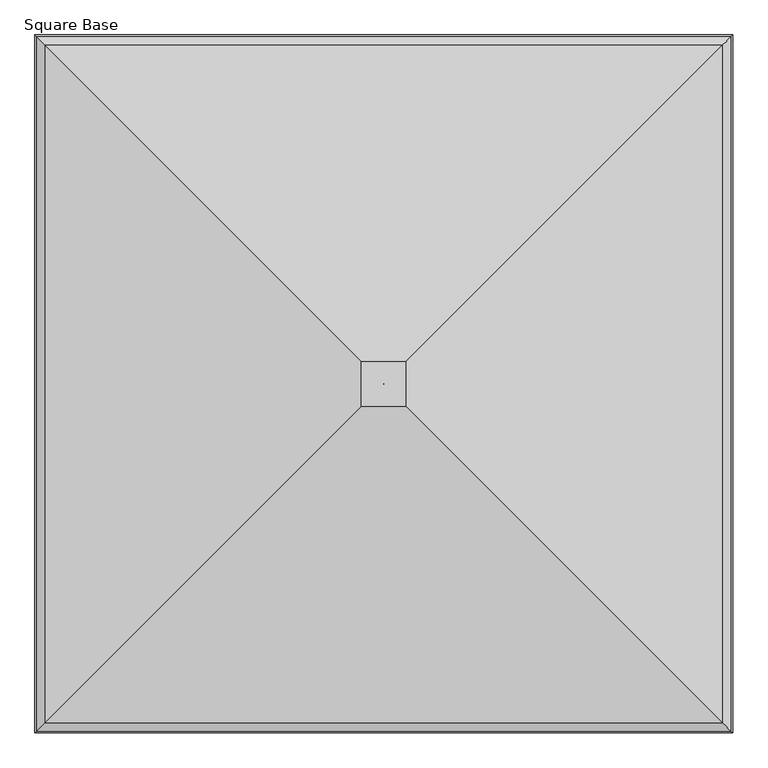
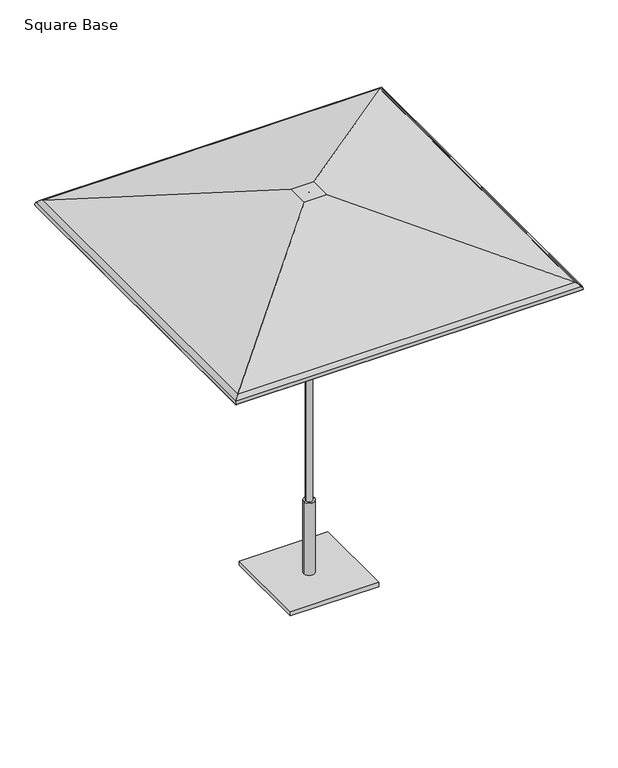
"""IFC4 building model written with IfcOpenShell, lengths in millimetres: furniture geometry, Square Base."""

from ifc_helpers import new_model, si_unit, frame, origin, origin_with_axes, place, context, project, spatial, polyline, circle_curve, ellipse_curve, outline, extrude, source, transform, mapped, element, save
from ifc_brep_helpers import plane_surface, cylinder_surface, revolved_surface, advanced_brep


def square_base_8a413ab3(model_context):
    return source(origin(), model_context, "Body", "SolidModel", [
        advanced_brep(
        [(-0.1191233, -3.7889421, 2332.2359375), (-0.1191233, -3.7889421, 2336.8), (0.1191233, -3.7889421, 2336.8), (0.1191233, -3.7889421, 2332.2359375), (-972.8203346, -976.4901535, 2032.8952419), (-63.8799222, -67.5497411, 2332.2359375), (63.8799222, -67.5497411, 2332.2359375), (972.8203346, -976.4901535, 2032.8952419), (-993.3252275, -996.9950464, 2015.7031479), (993.3252275, -996.9950464, 2015.7031479), (-995.3819432, -999.051762, 1999.8260507), (995.3819432, -999.051762, 1999.8260507), (-999.7734953, -1003.4433141, 1998.5830959), (999.7734953, -1003.4433141, 1998.5830959), (-997.255117, -1000.9249359, 2018.0240604), (997.255117, -1000.9249359, 2018.0240604), (-972.7319046, -976.4017234, 2037.7634079), (972.7319046, -976.4017234, 2037.7634079), (-64.7106433, -68.3804622, 2336.8), (64.7106433, -68.3804622, 2336.8), (0.1191233, -2.7851577, 2336.8), (0.1191233, -2.7851577, 2332.2359375), (63.8799222, 60.9756412, 2332.2359375), (972.8203346, 969.9160536, 2032.8952419), (993.3252275, 990.4209465, 2015.7031479), (995.3819432, 992.4776622, 1999.8260507), (999.7734953, 996.8692143, 1998.5830959), (997.255117, 994.350836, 2018.0240604), (972.7319046, 969.8276236, 2037.7634079), (64.7106433, 61.8063623, 2336.8), (-0.1191233, -2.7851577, 2336.8), (-0.1191233, -2.7851577, 2332.2359375), (-63.8799222, 60.9756412, 2332.2359375), (-972.8203346, 969.9160536, 2032.8952419), (-993.3252275, 990.4209465, 2015.7031479), (-995.3819432, 992.4776622, 1999.8260507), (-999.7734953, 996.8692143, 1998.5830959), (-997.255117, 994.350836, 2018.0240604), (-972.7319046, 969.8276236, 2037.7634079), (-64.7106433, 61.8063623, 2336.8)],
        [
            (0, 1),
            (1, 2),
            (2, 3),
            (3, 0),
            (4, 5),
            (5, 6),
            (6, 7),
            (7, 4),
            (8, 4, ellipse_curve(frame((-958.7402749, -962.4100938, 1995.2779812), z_axis=(-0.7071067811865475, 0.7071067811865475, 0.0), x_axis=(0.7071067811865476, 0.7071067811865474, 0.0)), 56.8032813, 40.1659854)),
            (7, 9, ellipse_curve(frame((958.7402749, -962.4100938, 1995.2779812), z_axis=(0.7071067811865475, 0.7071067811865475, 0.0), x_axis=(0.7071067811865476, -0.7071067811865474, 0.0)), 56.8032813, 40.1659854)),
            (9, 8),
            (10, 8, ellipse_curve(frame((-975.8174942, -979.4873131, 2005.3634382), z_axis=(-0.7071067811865475, 0.7071067811865475, 0.0), x_axis=(0.7071067811865476, 0.7071067811865474, 0.0)), 28.7551847, 20.3329861)),
            (9, 11, ellipse_curve(frame((975.8174942, -979.4873131, 2005.3634382), z_axis=(0.7071067811865475, 0.7071067811865475, 0.0), x_axis=(0.7071067811865476, -0.7071067811865474, 0.0)), 28.7551847, 20.3329861)),
            (11, 10),
            (12, 10, ellipse_curve(frame((-997.5777192, -1001.2475381, 1999.2045733), z_axis=(0.7071067811865475, -0.7071067811865475, 0.0), x_axis=(-0.7071067811865476, -0.7071067811865474, 0.0)), 3.2272795, 2.2820312)),
            (11, 13, ellipse_curve(frame((997.5777192, -1001.2475381, 1999.2045733), z_axis=(-0.7071067811865475, -0.7071067811865475, 0.0), x_axis=(-0.7071067811865476, 0.7071067811865474, 0.0)), 3.2272795, 2.2820312)),
            (13, 12),
            (14, 12, ellipse_curve(frame((-975.8174942, -979.4873131, 2005.3634382), z_axis=(0.7071067811865475, -0.7071067811865475, 0.0), x_axis=(-0.7071067811865476, -0.7071067811865474, 0.0)), 35.2097438, 24.8970486)),
            (13, 15, ellipse_curve(frame((975.8174942, -979.4873131, 2005.3634382), z_axis=(-0.7071067811865475, -0.7071067811865475, 0.0), x_axis=(-0.7071067811865476, 0.7071067811865474, 0.0)), 35.2097438, 24.8970486)),
            (15, 14),
            (16, 14, ellipse_curve(frame((-958.7402749, -962.4100938, 1995.2779812), z_axis=(0.7071067811865475, -0.7071067811865475, 0.0), x_axis=(-0.7071067811865476, -0.7071067811865474, 0.0)), 63.2578403, 44.7300479)),
            (15, 17, ellipse_curve(frame((958.7402749, -962.4100938, 1995.2779812), z_axis=(-0.7071067811865475, -0.7071067811865475, 0.0), x_axis=(-0.7071067811865476, 0.7071067811865474, 0.0)), 63.2578403, 44.7300479)),
            (17, 16),
            (18, 16),
            (17, 19),
            (19, 18),
            (2, 20),
            (20, 21),
            (21, 3),
            (6, 22),
            (22, 23),
            (23, 7),
            (23, 24, ellipse_curve(frame((958.7402749, 955.8359939, 1995.2779812), z_axis=(-0.7071067811865475, 0.7071067811865475, 0.0), x_axis=(0.7071067811865474, 0.7071067811865476, 0.0)), 56.8032813, 40.1659854)),
            (24, 9),
            (24, 25, ellipse_curve(frame((975.8174942, 972.9132132, 2005.3634382), z_axis=(-0.7071067811865475, 0.7071067811865475, 0.0), x_axis=(0.7071067811865474, 0.7071067811865476, 0.0)), 28.7551847, 20.3329861)),
            (25, 11),
            (25, 26, ellipse_curve(frame((997.5777192, 994.6734382, 1999.2045733), z_axis=(0.7071067811865475, -0.7071067811865475, 0.0), x_axis=(-0.7071067811865474, -0.7071067811865476, 0.0)), 3.2272795, 2.2820312)),
            (26, 13),
            (26, 27, ellipse_curve(frame((975.8174942, 972.9132132, 2005.3634382), z_axis=(0.7071067811865475, -0.7071067811865475, 0.0), x_axis=(-0.7071067811865474, -0.7071067811865476, 0.0)), 35.2097438, 24.8970486)),
            (27, 15),
            (27, 28, ellipse_curve(frame((958.7402749, 955.8359939, 1995.2779812), z_axis=(0.7071067811865475, -0.7071067811865475, 0.0), x_axis=(-0.7071067811865474, -0.7071067811865476, 0.0)), 63.2578403, 44.7300479)),
            (28, 17),
            (28, 29),
            (29, 19),
            (20, 30),
            (30, 31),
            (31, 21),
            (22, 32),
            (32, 33),
            (33, 23),
            (33, 34, ellipse_curve(frame((-958.7402749, 955.8359939, 1995.2779812), z_axis=(-0.7071067811865475, -0.7071067811865475, 0.0), x_axis=(-0.7071067811865476, 0.7071067811865474, 0.0)), 56.8032813, 40.1659854)),
            (34, 24),
            (34, 35, ellipse_curve(frame((-975.8174942, 972.9132132, 2005.3634382), z_axis=(-0.7071067811865475, -0.7071067811865475, 0.0), x_axis=(-0.7071067811865476, 0.7071067811865474, 0.0)), 28.7551847, 20.3329861)),
            (35, 25),
            (35, 36, ellipse_curve(frame((-997.5777192, 994.6734382, 1999.2045733), z_axis=(0.7071067811865475, 0.7071067811865475, 0.0), x_axis=(0.7071067811865476, -0.7071067811865474, 0.0)), 3.2272795, 2.2820312)),
            (36, 26),
            (36, 37, ellipse_curve(frame((-975.8174942, 972.9132132, 2005.3634382), z_axis=(0.7071067811865475, 0.7071067811865475, 0.0), x_axis=(0.7071067811865476, -0.7071067811865474, 0.0)), 35.2097438, 24.8970486)),
            (37, 27),
            (37, 38, ellipse_curve(frame((-958.7402749, 955.8359939, 1995.2779812), z_axis=(0.7071067811865475, 0.7071067811865475, 0.0), x_axis=(0.7071067811865476, -0.7071067811865474, 0.0)), 63.2578403, 44.7300479)),
            (38, 28),
            (38, 39),
            (39, 29),
            (39, 18),
            (1, 30),
            (0, 31),
            (5, 32),
            (4, 33),
            (8, 34),
            (10, 35),
            (12, 36),
            (14, 37),
            (16, 38),
        ],
        [
            plane_surface(frame((-0.1191233, -3.7889421, 2336.8), z_axis=(0.0, 1.0, 0.0), x_axis=(1.0, 0.0, 0.0))),
            plane_surface(frame((-63.8799222, -67.5497411, 2332.2359375), z_axis=(0.0, 0.3128029016514654, -0.9498180587451598), x_axis=(1.0, 0.0, 0.0))),
            revolved_surface(polyline([(998.9062603008771, -922.2441084000001, 1995.2779812), (-998.9062603008771, -922.2441084000001, 1995.2779812)]), (-1013.0581334, -962.4100938, 1995.2779812), (1.0, 0.0, 0.0)),
            revolved_surface(polyline([(996.1504802956416, -959.1543270000001, 2005.3634382), (-996.1504802956417, -959.1543270000001, 2005.3634382)]), (-1013.0581334, -979.4873131, 2005.3634382), (1.0, 0.0, 0.0)),
            cylinder_surface(frame((-1013.0581334, -1001.2475381, 1999.2045733), z_axis=(-1.0, 0.0, 0.0), x_axis=(0.0, 1.0, 0.0)), 2.2820312),
            cylinder_surface(frame((-1013.0581334, -979.4873131, 2005.3634382), z_axis=(-1.0, 0.0, 0.0), x_axis=(0.0, 1.0, 0.0)), 24.8970486),
            cylinder_surface(frame((-1013.0581334, -962.4100938, 1995.2779812), z_axis=(-1.0, 0.0, 0.0), x_axis=(0.0, 1.0, 0.0)), 44.7300479),
            plane_surface(frame((-972.7319046, -976.4017234, 2037.7634079), z_axis=(0.0, -0.3128015803524927, 0.9498184938865862), x_axis=(1.0, 0.0, 0.0))),
            plane_surface(frame((0.1191233, -3.7889421, 2336.8), z_axis=(-1.0, 0.0, 0.0), x_axis=(0.0, 1.0, 0.0))),
            plane_surface(frame((63.8799222, -67.5497411, 2332.2359375), z_axis=(-0.31280290165146846, 0.0, -0.9498180587451588), x_axis=(0.0, 1.0, 0.0))),
            revolved_surface(polyline([(918.5742895000001, 996.0019793008769, 1995.2779812), (918.5742895000001, -1002.5760792008771, 1995.2779812)]), (958.7402749, -1016.7279523, 1995.2779812), (0.0, 1.0, 0.0)),
            revolved_surface(polyline([(955.4845081000001, 993.2461992956416, 2005.3634382), (955.4845081000001, -999.8202991956417, 2005.3634382)]), (975.8174942, -1016.7279523, 2005.3634382), (0.0, 1.0, 0.0)),
            cylinder_surface(frame((997.5777192, -1016.7279523, 1999.2045733), z_axis=(0.0, -1.0, 0.0), x_axis=(-1.0, 0.0, 0.0)), 2.2820312),
            cylinder_surface(frame((975.8174942, -1016.7279523, 2005.3634382), z_axis=(0.0, -1.0, 0.0), x_axis=(-1.0, 0.0, 0.0)), 24.8970486),
            cylinder_surface(frame((958.7402749, -1016.7279523, 1995.2779812), z_axis=(0.0, -1.0, 0.0), x_axis=(-1.0, 0.0, 0.0)), 44.7300479),
            plane_surface(frame((972.7319046, -976.4017234, 2037.7634079), z_axis=(0.3128015803524958, 0.0, 0.9498184938865852), x_axis=(0.0, 1.0, 0.0))),
            plane_surface(frame((0.1191233, -2.7851577, 2336.8), z_axis=(0.0, -1.0, 0.0), x_axis=(-1.0, 0.0, 0.0))),
            plane_surface(frame((63.8799222, 60.9756412, 2332.2359375), z_axis=(0.0, -0.3128029016514654, -0.9498180587451598), x_axis=(-1.0, 0.0, 0.0))),
            revolved_surface(polyline([(-998.9062603008771, 915.6700085, 1995.2779812), (998.9062603008771, 915.6700085, 1995.2779812)]), (1013.0581334, 955.8359939, 1995.2779812), (-1.0, 0.0, 0.0)),
            revolved_surface(polyline([(-996.1504802956416, 952.5802271, 2005.3634382), (996.1504802956417, 952.5802271, 2005.3634382)]), (1013.0581334, 972.9132132, 2005.3634382), (-1.0, 0.0, 0.0)),
            cylinder_surface(frame((1013.0581334, 994.6734382, 1999.2045733), z_axis=(1.0, 0.0, 0.0), x_axis=(0.0, -1.0, 0.0)), 2.2820312),
            cylinder_surface(frame((1013.0581334, 972.9132132, 2005.3634382), z_axis=(1.0, 0.0, 0.0), x_axis=(0.0, -1.0, 0.0)), 24.8970486),
            cylinder_surface(frame((1013.0581334, 955.8359939, 1995.2779812), z_axis=(1.0, 0.0, 0.0), x_axis=(0.0, -1.0, 0.0)), 44.7300479),
            plane_surface(frame((972.7319046, 969.8276236, 2037.7634079), z_axis=(0.0, 0.3128015803524927, 0.9498184938865862), x_axis=(-1.0, 0.0, 0.0))),
            plane_surface(frame((-64.7106433, 61.8063623, 2336.8), z_axis=(0.0, 0.0, 1.0), x_axis=(0.0, -1.0, 0.0))),
            plane_surface(frame((-0.1191233, -2.7851577, 2336.8), z_axis=(1.0, 0.0, 0.0), x_axis=(0.0, -1.0, 0.0))),
            plane_surface(frame((-0.1191233, -2.7851577, 2332.2359375), z_axis=(0.0, 0.0, -1.0), x_axis=(0.0, -1.0, 0.0))),
            plane_surface(frame((-63.8799222, 60.9756412, 2332.2359375), z_axis=(0.31280290165146235, 0.0, -0.9498180587451608), x_axis=(0.0, -1.0, 0.0))),
            revolved_surface(polyline([(-918.5742895000001, -1002.5760792008768, 1995.2779812), (-918.5742895000001, 996.001979300877, 1995.2779812)]), (-958.7402749, 1010.1538524, 1995.2779812), (0.0, -1.0, 0.0)),
            revolved_surface(polyline([(-955.4845081000001, -999.8202991956418, 2005.3634382), (-955.4845081000001, 993.2461992956416, 2005.3634382)]), (-975.8174942, 1010.1538524, 2005.3634382), (0.0, -1.0, 0.0)),
            cylinder_surface(frame((-997.5777192, 1010.1538524, 1999.2045733), z_axis=(0.0, 1.0, 0.0), x_axis=(1.0, 0.0, 0.0)), 2.2820312),
            cylinder_surface(frame((-975.8174942, 1010.1538524, 2005.3634382), z_axis=(0.0, 1.0, 0.0), x_axis=(1.0, 0.0, 0.0)), 24.8970486),
            cylinder_surface(frame((-958.7402749, 1010.1538524, 1995.2779812), z_axis=(0.0, 1.0, 0.0), x_axis=(1.0, 0.0, 0.0)), 44.7300479),
            plane_surface(frame((-972.7319046, 969.8276236, 2037.7634079), z_axis=(-0.31280158035248967, 0.0, 0.9498184938865872), x_axis=(0.0, -1.0, 0.0))),
        ],
        [
            (0, [[1, 2, 3, 4]]),
            (1, [[5, 6, 7, 8]]),
            (2, [[9, -8, 10, 11]]),
            (3, [[12, -11, 13, 14]]),
            (4, [[15, -14, 16, 17]]),
            (5, [[18, -17, 19, 20]]),
            (6, [[21, -20, 22, 23]]),
            (7, [[24, -23, 25, 26]]),
            (8, [[-3, 27, 28, 29]]),
            (9, [[-7, 30, 31, 32]]),
            (10, [[-10, -32, 33, 34]]),
            (11, [[-13, -34, 35, 36]]),
            (12, [[-16, -36, 37, 38]]),
            (13, [[-19, -38, 39, 40]]),
            (14, [[-22, -40, 41, 42]]),
            (15, [[-25, -42, 43, 44]]),
            (16, [[-28, 45, 46, 47]]),
            (17, [[-31, 48, 49, 50]]),
            (18, [[-33, -50, 51, 52]]),
            (19, [[-35, -52, 53, 54]]),
            (20, [[-37, -54, 55, 56]]),
            (21, [[-39, -56, 57, 58]]),
            (22, [[-41, -58, 59, 60]]),
            (23, [[-43, -60, 61, 62]]),
            (24, [[-44, -62, 63, -26], [64, -45, -27, -2]]),
            (25, [[-46, -64, -1, 65]]),
            (26, [[66, -48, -30, -6], [-29, -47, -65, -4]]),
            (27, [[-49, -66, -5, 67]]),
            (28, [[-51, -67, -9, 68]]),
            (29, [[-53, -68, -12, 69]]),
            (30, [[-55, -69, -15, 70]]),
            (31, [[-57, -70, -18, 71]]),
            (32, [[-59, -71, -21, 72]]),
            (33, [[-61, -72, -24, -63]]),
        ],
    ),
        advanced_brep(
        [(-19.05, -4.0299408, 463.5500121), (19.05, -4.0299408, 463.5500121), (31.7499992, -4.0299408, 463.5500121), (-31.7499992, -4.0299408, 463.5500121), (-19.05, -4.0299408, 1771.5507813), (19.05, -4.0299408, 1771.5507813), (0.0, -4.0299408, 1771.5507813), (-31.7499992, -4.0299408, 25.4), (31.7499992, -4.0299408, 25.4), (0.0, -4.0299408, 25.4)],
        [
            (0, 1, circle_curve(frame((0.0, -4.0299408, 463.5500121), z_axis=(0.0, 0.0, -1.0), x_axis=(1.0, 0.0, 0.0)), 19.05)),
            (1, 2),
            (2, 3, circle_curve(frame((0.0, -4.0299408, 463.5500121), z_axis=(0.0, 0.0, 1.0), x_axis=(1.0, 0.0, 0.0)), 31.7499992)),
            (3, 0),
            (1, 0, circle_curve(frame((0.0, -4.0299408, 463.5500121), z_axis=(0.0, 0.0, -1.0), x_axis=(1.0, 0.0, 0.0)), 19.05)),
            (3, 2, circle_curve(frame((0.0, -4.0299408, 463.5500121), z_axis=(0.0, 0.0, 1.0), x_axis=(1.0, 0.0, 0.0)), 31.7499992)),
            (4, 5, circle_curve(frame((0.0, -4.0299408, 1771.5507813), z_axis=(0.0, 0.0, -1.0), x_axis=(1.0, 0.0, 0.0)), 19.05)),
            (5, 1),
            (0, 4),
            (5, 4, circle_curve(frame((0.0, -4.0299408, 1771.5507813), z_axis=(0.0, 0.0, -1.0), x_axis=(1.0, 0.0, 0.0)), 19.05)),
            (6, 5),
            (4, 6),
            (7, 8, circle_curve(frame((0.0, -4.0299408, 25.4), z_axis=(0.0, 0.0, -1.0), x_axis=(1.0, 0.0, 0.0)), 31.7499992)),
            (8, 9),
            (9, 7),
            (8, 7, circle_curve(frame((0.0, -4.0299408, 25.4), z_axis=(0.0, 0.0, -1.0), x_axis=(1.0, 0.0, 0.0)), 31.7499992)),
            (2, 8),
            (7, 3),
        ],
        [
            plane_surface(frame((0.0, -4.0299408, 463.5500121), z_axis=(0.0, 0.0, 1.0), x_axis=(1.0, 0.0, 0.0))),
            cylinder_surface(frame((0.0, -4.0299408, 2635.1507813), z_axis=(0.0, 0.0, 1.0), x_axis=(1.0, 0.0, 0.0)), 19.05),
            plane_surface(frame((0.0, -4.0299408, 1771.5507813), z_axis=(0.0, 0.0, 1.0), x_axis=(1.0, 0.0, 0.0))),
            plane_surface(frame((0.0, -4.0299408, 25.4), z_axis=(0.0, 0.0, -1.0), x_axis=(1.0, 0.0, 0.0))),
            cylinder_surface(frame((0.0, -4.0299408, 2635.1507813), z_axis=(0.0, 0.0, 1.0), x_axis=(1.0, 0.0, 0.0)), 31.7499992),
        ],
        [
            (0, [[1, 2, 3, 4]]),
            (0, [[5, -4, 6, -2]]),
            (1, [[7, 8, -1, 9]]),
            (1, [[10, -9, -5, -8]]),
            (2, [[11, -7, 12]]),
            (2, [[-12, -10, -11]]),
            (3, [[13, 14, 15]]),
            (3, [[16, -15, -14]]),
            (4, [[-3, 17, -13, 18]]),
            (4, [[-6, -18, -16, -17]]),
        ],
    ),
        extrude(outline(polyline([(254.0, 249.9700592), (254.0, -258.0299408), (-254.0, -258.0299408), (-254.0, 249.9700592), (254.0, 249.9700592)])), origin_with_axes(), (0.0, 0.0, 1.0), 25.4),
    ])


if __name__ == "__main__":
    model = new_model("IFC4")
    model_context = context("Model", 3, world=origin())
    ifc_project = project(units=[si_unit("LENGTHUNIT", "METRE", prefix="MILLI")], contexts=[model_context])
    site = spatial("IfcSite", under=ifc_project)
    building = spatial("IfcBuilding", under=site)
    placement = place(None, origin())
    square_base_shape = square_base_8a413ab3(model_context)
    element("IfcFurniture", 1, ObjectType="Square Base", at=placement, inside=building, context=model_context, shape_type="MappedRepresentation", body=[
        mapped(square_base_shape, transform((0.0, 0.0, 0.0), x_axis=(1.0, 0.0, 0.0), y_axis=(0.0, 1.0, 0.0), z_axis=(0.0, 0.0, 1.0))),
    ])
    save(model, "model.ifc")
